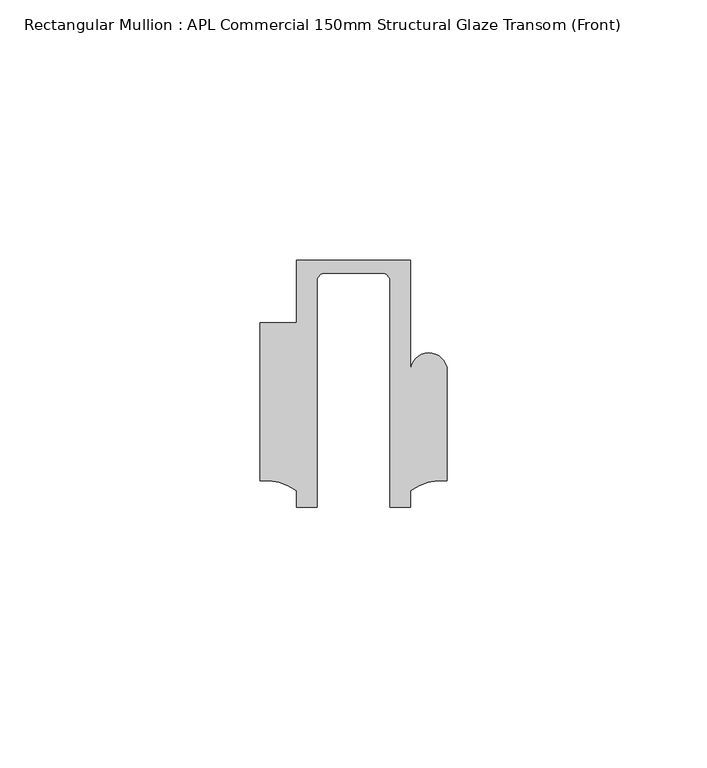
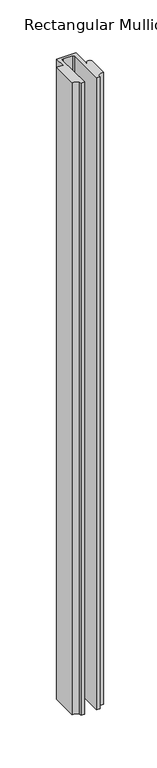
"""IFC4 building model written with IfcOpenShell, lengths in millimetres: member geometry, Rectangular Mullion : APL Commercial 150mm Structural Glaze Transom (Front)."""

from ifc_helpers import new_model, si_unit, frame, origin, place, context, project, spatial, polyline, circle_curve, source, transform, mapped, element, save
from ifc_brep_helpers import plane_surface, cylinder_surface, revolved_surface, advanced_brep


def rectangular_mullion_apl_commercial_150mm_structural_glaze_7922c00a(model_context):
    return source(origin(), model_context, "Body", "AdvancedBrep", [
        advanced_brep(
        [(-11.0000151, 27.0, 0.0), (-11.0000151, 15.0006281, 0.0), (-17.9999542, 15.0006281, 0.0), (-17.9999542, -15.3797475, 0.0), (-10.9999994, -17.3125325, 0.0), (-10.9999994, -20.5, 0.0), (-6.9999853, -20.5, 0.0), (-6.9999853, 22.9976091, 0.0), (-5.4999873, 24.5, 0.0), (5.4999872, 24.5, 0.0), (6.9999849, 22.9973451, 0.0), (6.9999849, -20.5, 0.0), (11.0000151, -20.5, 0.0), (11.0000151, -17.3125212, 0.0), (17.9999542, -15.3797475, 0.0), (17.9999542, 5.684606, 0.0), (11.001071, 5.5848769, 0.0), (11.001071, 27.0, 0.0), (-11.0000151, 27.0, -760.0485946), (11.001071, 27.0, -760.0485946), (11.001071, 5.5848769, -760.0485946), (17.9999091, 5.6750512, -760.0485946), (17.9999542, -15.3797475, -760.0485946), (11.0000151, -17.3125212, -760.0485946), (11.0000151, -20.5, -760.0485946), (6.9999849, -20.5, -760.0485946), (6.9999849, 22.9973451, -760.0485946), (5.4999872, 24.5, -760.0485946), (-5.4999873, 24.5, -760.0485946), (-6.9999853, 22.9976091, -760.0485946), (-6.9999853, -20.5, -760.0485946), (-10.9999994, -20.5, -760.0485946), (-10.9999994, -17.3125325, -760.0485946), (-17.9999542, -15.3797475, -760.0485946), (-17.9999542, 15.0006281, -760.0485946), (-11.0000151, 15.0006281, -760.0485946)],
        [
            (0, 1),
            (1, 2),
            (2, 3),
            (3, 4, circle_curve(frame((-17.109817, -25.7981812, 0.0), z_axis=(0.0, 0.0, -1.0), x_axis=(0.0, 1.0, 0.0)), 10.4563907)),
            (4, 5),
            (5, 6),
            (6, 7),
            (7, 8, circle_curve(frame((-5.4999873, 23.0, 0.0), z_axis=(0.0, 0.0, -1.0), x_axis=(2.7320010112268853e-08, 0.9999999999999997, 0.0)), 1.5)),
            (8, 9),
            (9, 10, circle_curve(frame((5.4999872, 23.0, 0.0), z_axis=(0.0, 0.0, -1.0), x_axis=(0.9999999999999986, -5.463622857820516e-08, 0.0)), 1.5)),
            (10, 11),
            (11, 12),
            (12, 13),
            (13, 14, circle_curve(frame((17.109817, -25.7981812, 0.0), z_axis=(0.0, 0.0, -1.0), x_axis=(0.0, 1.0, 0.0)), 10.4563907)),
            (14, 15),
            (15, 16, circle_curve(frame((14.4999091, 5.6750512, 0.0), z_axis=(0.0, 0.0, 1.0), x_axis=(-0.9999826028573957, -0.005898642432633649, 0.0)), 3.5)),
            (16, 17),
            (17, 0),
            (18, 19),
            (19, 20),
            (20, 21, circle_curve(frame((14.4999091, 5.6750512, -760.0485946), z_axis=(0.0, 0.0, -1.0), x_axis=(-0.9999826028573957, -0.005898642432633649, 0.0)), 3.5)),
            (21, 22),
            (22, 23, circle_curve(frame((17.109817, -25.7981812, -760.0485946), z_axis=(0.0, 0.0, 1.0), x_axis=(0.0, 1.0, 0.0)), 10.4563907)),
            (23, 24),
            (24, 25),
            (25, 26),
            (26, 27, circle_curve(frame((5.4999872, 23.0, -760.0485946), z_axis=(0.0, 0.0, 1.0), x_axis=(0.9999999999999986, -5.463622857820516e-08, 0.0)), 1.5)),
            (27, 28),
            (28, 29, circle_curve(frame((-5.4999873, 23.0, -760.0485946), z_axis=(0.0, 0.0, 1.0), x_axis=(2.7320010112268853e-08, 0.9999999999999997, 0.0)), 1.5)),
            (29, 30),
            (30, 31),
            (31, 32),
            (32, 33, circle_curve(frame((-17.109817, -25.7981812, -760.0485946), z_axis=(0.0, 0.0, 1.0), x_axis=(0.0, 1.0, 0.0)), 10.4563907)),
            (33, 34),
            (34, 35),
            (35, 18),
            (0, 18),
            (35, 1),
            (34, 2),
            (33, 3),
            (32, 4),
            (31, 5),
            (30, 6),
            (29, 7),
            (28, 8),
            (27, 9),
            (26, 10),
            (25, 11),
            (24, 12),
            (23, 13),
            (22, 14),
            (21, 15),
            (20, 16),
            (19, 17),
        ],
        [
            plane_surface(frame((0.0, -29.1551636, 0.0), z_axis=(0.0, 0.0, 1.0), x_axis=(-1.0, 0.0, 0.0))),
            plane_surface(frame((0.0, -29.1551636, -760.0485946), z_axis=(0.0, 0.0, -1.0), x_axis=(-1.0, 0.0, 0.0))),
            plane_surface(frame((-11.0000151, 27.0, 0.0), z_axis=(-1.0, 0.0, 0.0), x_axis=(0.0, 0.0, -1.0))),
            plane_surface(frame((-11.0000151, 15.0006281, 0.0), z_axis=(0.0, 1.0, 0.0), x_axis=(0.0, 0.0, -1.0))),
            plane_surface(frame((-17.9999542, 15.0006281, 0.0), z_axis=(-1.0, 0.0, 0.0), x_axis=(0.0, 0.0, -1.0))),
            revolved_surface(polyline([(-17.109817, -15.341790499999998, -760.0485946), (-17.109817, -15.341790499999998, 0.0)]), (-17.109817, -25.7981812, 0.0), (0.0, 0.0, -1.0)),
            plane_surface(frame((-10.9999994, -17.3125325, 0.0), z_axis=(-1.0, 0.0, 0.0), x_axis=(0.0, 0.0, -1.0))),
            plane_surface(frame((-10.9999994, -20.5, 0.0), z_axis=(0.0, -1.0, 0.0), x_axis=(0.0, 0.0, -1.0))),
            plane_surface(frame((-6.9999853, -20.5, 0.0), z_axis=(1.0, 0.0, 0.0), x_axis=(0.0, 0.0, -1.0))),
            revolved_surface(polyline([(-5.499987259019985, 24.5, -760.0485946), (-5.499987259019985, 24.5, 0.0)]), (-5.4999873, 23.0, 0.0), (0.0, 0.0, -1.0)),
            plane_surface(frame((-5.4999873, 24.5, 0.0), z_axis=(0.0, -1.0, 0.0), x_axis=(0.0, 0.0, -1.0))),
            revolved_surface(polyline([(6.999987199999998, 22.999999918045656, -760.0485946), (6.999987199999998, 22.999999918045656, 0.0)]), (5.4999872, 23.0, 0.0), (0.0, 0.0, -1.0)),
            plane_surface(frame((6.9999849, 22.9973451, 0.0), z_axis=(-1.0, 0.0, 0.0), x_axis=(0.0, 0.0, -1.0))),
            plane_surface(frame((6.9999849, -20.5, 0.0), z_axis=(0.0, -1.0, 0.0), x_axis=(0.0, 0.0, -1.0))),
            plane_surface(frame((11.0000151, -20.5, 0.0), z_axis=(1.0, 0.0, 0.0), x_axis=(0.0, 0.0, -1.0))),
            revolved_surface(polyline([(17.109817, -15.341790499999998, -760.0485946), (17.109817, -15.341790499999998, 0.0)]), (17.109817, -25.7981812, 0.0), (0.0, 0.0, -1.0)),
            plane_surface(frame((17.9999542, -15.3797475, 0.0), z_axis=(1.0, 0.0, 0.0), x_axis=(0.0, 0.0, -1.0))),
            cylinder_surface(frame((14.4999091, 5.6750512, 0.0), z_axis=(0.0, 0.0, 1.0), x_axis=(-0.9999826028573957, -0.005898642432633649, 0.0)), 3.5),
            plane_surface(frame((11.001071, 5.5848769, 0.0), z_axis=(1.0, 0.0, 0.0), x_axis=(0.0, 0.0, -1.0))),
            plane_surface(frame((11.001071, 27.0, 0.0), z_axis=(0.0, 1.0, 0.0), x_axis=(0.0, 0.0, -1.0))),
        ],
        [
            (0, [[1, 2, 3, 4, 5, 6, 7, 8, 9, 10, 11, 12, 13, 14, 15, 16, 17, 18]]),
            (1, [[19, 20, 21, 22, 23, 24, 25, 26, 27, 28, 29, 30, 31, 32, 33, 34, 35, 36]]),
            (2, [[-1, 37, -36, 38]]),
            (3, [[-2, -38, -35, 39]]),
            (4, [[-3, -39, -34, 40]]),
            (5, [[-4, -40, -33, 41]]),
            (6, [[-5, -41, -32, 42]]),
            (7, [[-6, -42, -31, 43]]),
            (8, [[-7, -43, -30, 44]]),
            (9, [[-8, -44, -29, 45]]),
            (10, [[-9, -45, -28, 46]]),
            (11, [[-10, -46, -27, 47]]),
            (12, [[-11, -47, -26, 48]]),
            (13, [[-12, -48, -25, 49]]),
            (14, [[-13, -49, -24, 50]]),
            (15, [[-14, -50, -23, 51]]),
            (16, [[-15, -51, -22, 52]]),
            (17, [[-16, -52, -21, 53]]),
            (18, [[-17, -53, -20, 54]]),
            (19, [[-18, -54, -19, -37]]),
        ],
    ),
    ])


if __name__ == "__main__":
    model = new_model("IFC4")
    model_context = context("Model", 3, world=origin())
    ifc_project = project(units=[si_unit("LENGTHUNIT", "METRE", prefix="MILLI")], contexts=[model_context])
    site = spatial("IfcSite", under=ifc_project)
    building = spatial("IfcBuilding", under=site)
    placement = place(None, origin())
    rectangular_mullion_apl_commercial_150mm_structural_glaze_shape = rectangular_mullion_apl_commercial_150mm_structural_glaze_7922c00a(model_context)
    element("IfcMember", 1, ObjectType="Rectangular Mullion : APL Commercial 150mm Structural Glaze Transom (Front)", at=placement, inside=building, context=model_context, shape_type="MappedRepresentation", body=[
        mapped(rectangular_mullion_apl_commercial_150mm_structural_glaze_shape, transform((0.0, 0.0, 0.0), x_axis=(1.0, 0.0, 0.0), y_axis=(0.0, 1.0, 0.0), z_axis=(0.0, 0.0, 1.0))),
    ])
    save(model, "model.ifc")
